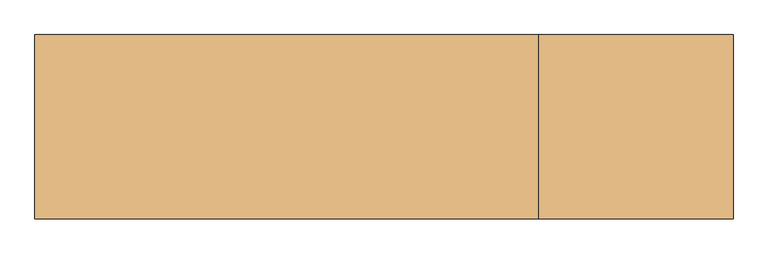
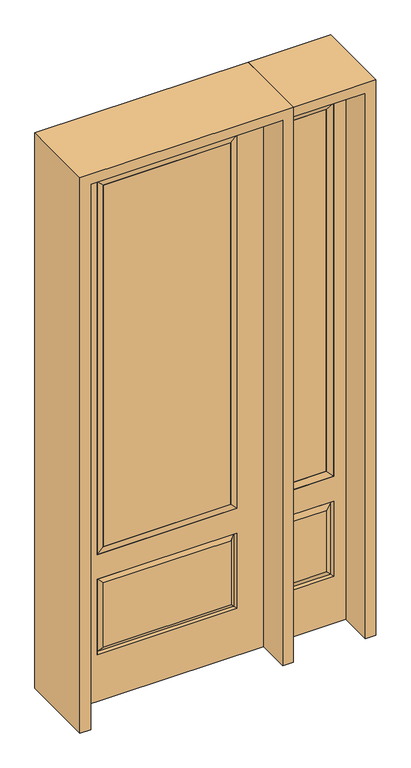
"""IFC4 building model written with IfcOpenShell, lengths in millimetres: door geometry."""

from ifc_helpers import new_model, si_unit, frame, origin, place, context, project, spatial, polyline, outline, extrude, faceted_brep, source, transform, mapped, element, save


def door_043b163a(model_context):
    return source(origin(), model_context, "Body", "SolidModel", [
        faceted_brep([(450.85, -22.225, 0.0), (755.65, -22.225, 0.0), (755.65, -22.225, 2438.4), (450.85, -22.225, 2438.4), (703.58, -22.225, 2325.624), (703.58, -22.225, 657.098), (502.92, -22.225, 657.098), (502.92, -22.225, 2325.624), (703.58, -22.225, 209.55), (502.92, -22.225, 209.55), (502.92, -22.225, 546.1), (703.58, -22.225, 546.1), (534.6351001, -22.225, 241.2651001), (671.8648999, -22.225, 241.2651001), (671.8648999, -22.225, 514.3848999), (534.6351001, -22.225, 514.3848999), (450.85, 22.225, 0.0), (450.85, 22.225, 2438.4), (755.65, 22.225, 2438.4), (755.65, 22.225, 0.0), (703.58, 22.225, 2325.624), (502.92, 22.225, 2325.624), (502.92, 22.225, 657.098), (703.58, 22.225, 657.098), (502.92, 22.225, 209.55), (703.58, 22.225, 209.55), (703.58, 22.225, 546.1), (502.92, 22.225, 546.1), (671.8648999, 22.225, 241.2651001), (534.6351001, 22.225, 241.2651001), (534.6351001, 22.225, 514.3848999), (671.8648999, 22.225, 514.3848999), (696.4711499, 12.7912373, 216.6588501), (510.0288501, 12.7912373, 216.6588501), (510.0288501, 12.7912373, 538.9911499), (696.4711499, 12.7912373, 538.9911499), (510.0288501, -12.7912373, 216.6588501), (696.4711499, -12.7912373, 216.6588501), (510.0288501, -12.7912373, 538.9911499), (696.4711499, -12.7912373, 538.9911499)], [[[0, 1, 2, 3], [4, 5, 6, 7], [8, 9, 10, 11]], [[12, 13, 14, 15]], [[16, 17, 18, 19], [20, 21, 22, 23], [24, 25, 26, 27]], [[28, 29, 30, 31]], [[1, 0, 16, 19]], [[2, 1, 19, 18]], [[3, 2, 18, 17]], [[0, 3, 17, 16]], [[5, 4, 20, 23]], [[6, 5, 23, 22]], [[7, 6, 22, 21]], [[4, 7, 21, 20]], [[32, 33, 29, 28]], [[33, 32, 25, 24]], [[29, 33, 34, 30]], [[33, 24, 27, 34]], [[30, 34, 35, 31]], [[34, 27, 26, 35]], [[32, 28, 31, 35]], [[25, 32, 35, 26]], [[12, 36, 37, 13]], [[37, 36, 9, 8]], [[36, 12, 15, 38]], [[9, 36, 38, 10]], [[38, 15, 14, 39]], [[10, 38, 39, 11]], [[13, 37, 39, 14]], [[37, 8, 11, 39]]]),
        faceted_brep([(502.92, 22.225, 2325.624), (502.92, -22.225, 2325.624), (703.58, -22.225, 2325.624), (703.58, 22.225, 2325.624), (528.32, 12.7, 2300.224), (678.18, 12.7, 2300.224), (528.32, -12.7, 2300.224), (678.18, -12.7, 2300.224), (703.58, -22.225, 657.098), (703.58, 22.225, 657.098), (678.18, 12.7, 682.498), (678.18, -12.7, 682.498), (502.92, -22.225, 657.098), (502.92, 22.225, 657.098), (528.32, 12.7, 682.498), (528.32, -12.7, 682.498)], [[[0, 1, 2, 3]], [[4, 0, 3, 5]], [[6, 4, 5, 7]], [[1, 6, 7, 2]], [[3, 2, 8, 9]], [[5, 3, 9, 10]], [[7, 5, 10, 11]], [[2, 7, 11, 8]], [[9, 8, 12, 13]], [[10, 9, 13, 14]], [[11, 10, 14, 15]], [[8, 11, 15, 12]], [[13, 12, 1, 0]], [[14, 13, 0, 4]], [[15, 14, 4, 6]], [[12, 15, 6, 1]]]),
        extrude(outline(polyline([(678.18, -12.7), (528.32, -12.7), (528.32, 12.7), (678.18, 12.7), (678.18, -12.7)])), frame((0.0, 0.0, 682.498), z_axis=(0.0, 0.0, 1.0), x_axis=(1.0, 0.0, 0.0)), (0.0, 0.0, 1.0), 1617.726),
        extrude(outline(polyline([(269.875, -20.32), (-269.875, -20.32), (-269.875, 5.08), (269.875, 5.08), (269.875, -20.32)])), frame((0.0, 0.0, 682.498), z_axis=(0.0, 0.0, 1.0), x_axis=(1.0, 0.0, 0.0)), (0.0, 0.0, 1.0), 1616.202),
        faceted_brep([(-288.1661499, -12.7912373, 216.6588501), (288.1661499, -12.7912373, 216.6588501), (270.66875, -22.225, 234.15625), (-270.66875, -22.225, 234.15625), (-295.275, -22.225, 209.55), (295.275, -22.225, 209.55), (-288.1661499, -12.7912373, 538.9911499), (-295.275, -22.225, 546.1), (270.66875, -22.225, 521.49375), (-270.66875, -22.225, 521.49375), (406.4, -22.225, 2438.4), (-406.4, -22.225, 2438.4), (-406.4, -22.225, 0.0), (406.4, -22.225, 0.0), (295.275, -22.225, 546.1), (295.275, -22.225, 2324.1), (295.275, -22.225, 657.098), (-295.275, -22.225, 657.098), (-295.275, -22.225, 2324.1), (288.1661499, -12.7912373, 538.9911499), (-406.4, 22.225, 2438.4), (-406.4, 22.225, 0.0), (406.4, 22.225, 0.0), (406.4, 22.225, 2438.4), (295.275, 22.225, 2324.1), (295.275, 22.225, 657.098), (-295.275, 22.225, 657.098), (-295.275, 22.225, 2324.1), (-295.275, 22.225, 209.55), (295.275, 22.225, 209.55), (295.275, 22.225, 546.1), (-295.275, 22.225, 546.1), (270.66875, 22.225, 234.15625), (-270.66875, 22.225, 234.15625), (-270.66875, 22.225, 521.49375), (270.66875, 22.225, 521.49375), (-288.1661499, 12.7912373, 216.6588501), (288.1661499, 12.7912373, 216.6588501), (288.1661499, 12.7912373, 538.9911499), (-288.1661499, 12.7912373, 538.9911499)], [[[0, 1, 2, 3]], [[1, 0, 4, 5]], [[4, 0, 6, 7]], [[3, 2, 8, 9]], [[10, 11, 12, 13], [5, 4, 7, 14], [15, 16, 17, 18]], [[1, 5, 14, 19]], [[2, 1, 19, 8]], [[0, 3, 9, 6]], [[7, 6, 19, 14]], [[6, 9, 8, 19]], [[12, 11, 20, 21]], [[13, 12, 21, 22]], [[10, 13, 22, 23]], [[16, 15, 24, 25]], [[17, 16, 25, 26]], [[18, 17, 26, 27]], [[23, 22, 21, 20], [28, 29, 30, 31], [24, 27, 26, 25]], [[32, 33, 34, 35]], [[28, 36, 37, 29]], [[29, 37, 38, 30]], [[39, 31, 30, 38]], [[36, 28, 31, 39]], [[37, 36, 33, 32]], [[33, 36, 39, 34]], [[34, 39, 38, 35]], [[37, 32, 35, 38]], [[11, 10, 23, 20]], [[15, 18, 27, 24]]]),
        faceted_brep([(-295.275, -22.225, 2324.1), (-295.275, 22.225, 2324.1), (-295.275, 22.225, 657.098), (-295.275, -22.225, 657.098), (295.275, 22.225, 657.098), (295.275, -22.225, 657.098), (-269.875, 5.08, 682.498), (269.875, 5.08, 682.498), (295.275, 22.225, 2324.1), (295.275, -22.225, 2324.1), (-269.875, -20.32, 682.498), (269.875, -20.32, 682.498), (-269.875, -20.32, 2298.7), (269.875, -20.32, 2298.7), (-269.875, 5.08, 2298.7), (269.875, 5.08, 2298.7)], [[[0, 1, 2, 3]], [[3, 2, 4, 5]], [[2, 6, 7, 4]], [[5, 4, 8, 9]], [[10, 3, 5, 11]], [[12, 0, 3, 10]], [[11, 5, 9, 13]], [[6, 10, 11, 7]], [[14, 12, 10, 6]], [[7, 11, 13, 15]], [[1, 14, 6, 2]], [[4, 7, 15, 8]], [[9, 8, 1, 0]], [[13, 9, 0, 12]], [[15, 13, 12, 14]], [[8, 15, 14, 1]]]),
        extrude(outline(polyline([(2482.85, -450.85), (0.0, -450.85), (0.0, -406.4), (2438.4, -406.4), (2438.4, 406.4), (0.0, 406.4), (0.0, 450.85), (2482.85, 450.85), (2482.85, -450.85)])), frame((0.0, -165.1, 0.0), z_axis=(0.0, 1.0, 0.0), x_axis=(0.0, 0.0, 1.0)), (0.0, 0.0, 1.0), 330.2),
        extrude(outline(polyline([(0.0, 755.65), (0.0, 800.1), (2482.85, 800.1), (2482.85, 450.85), (2438.4, 450.85), (2438.4, 755.65), (0.0, 755.65)])), frame((0.0, -165.1, 0.0), z_axis=(0.0, 1.0, 0.0), x_axis=(0.0, 0.0, 1.0)), (0.0, 0.0, 1.0), 330.2),
    ])


if __name__ == "__main__":
    model = new_model("IFC4")
    model_context = context("Model", 3, world=origin())
    ifc_project = project(units=[si_unit("LENGTHUNIT", "METRE", prefix="MILLI")], contexts=[model_context])
    site = spatial("IfcSite", under=ifc_project)
    building = spatial("IfcBuilding", under=site)
    placement = place(None, origin())
    door_shape = door_043b163a(model_context)
    element("IfcDoor", 1, at=placement, inside=building, context=model_context, shape_type="MappedRepresentation", body=[
        mapped(door_shape, transform((0.0, 0.0, 0.0), x_axis=(1.0, 0.0, 0.0), y_axis=(0.0, 1.0, 0.0), z_axis=(0.0, 0.0, 1.0))),
    ])
    save(model, "model.ifc")
